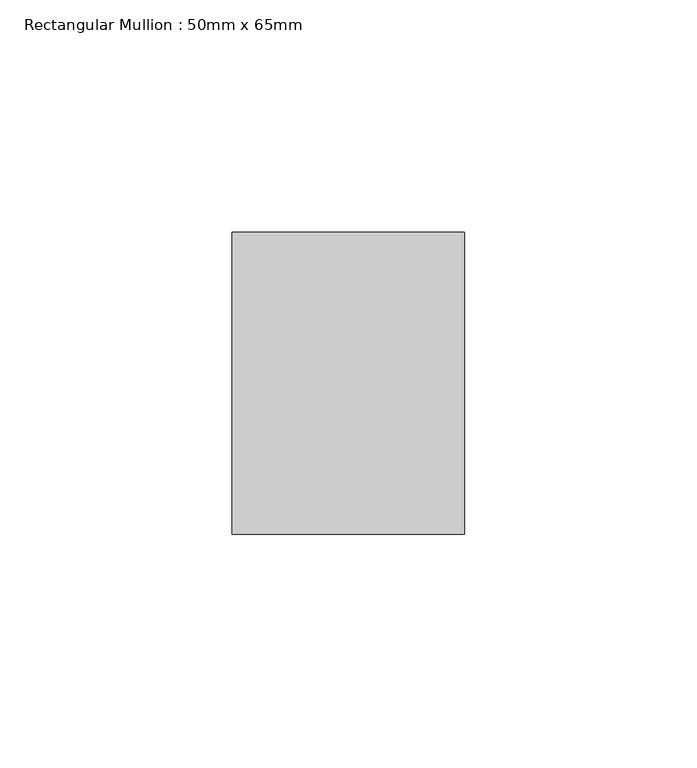
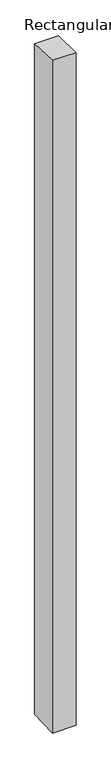
"""IFC4 building model written with IfcOpenShell, lengths in millimetres: member geometry, Rectangular Mullion : 50mm x 65mm."""

from ifc_helpers import new_model, si_unit, origin, place, context, project, spatial, faceted_brep, source, transform, mapped, element, save


def rectangular_mullion_50mm_x_65mm_a1037686(model_context):
    return source(origin(), model_context, "Body", "Brep", [
        faceted_brep([(-25.0, 32.5, -1.1419496), (25.0, 32.5, -1.1419522), (25.0, 32.5, -1498.5318859), (-25.0, 32.5, -1498.5318892), (-25.0, -32.5, 1.1419522), (-25.0, -32.5, -1501.4672408), (25.0, -32.5, 1.1419496), (25.0, -32.5, -1501.4672375)], [[[0, 1, 2, 3]], [[4, 0, 3, 5]], [[6, 4, 5, 7]], [[1, 6, 7, 2]], [[1, 0, 4, 6]], [[2, 7, 5, 3]]]),
    ])


if __name__ == "__main__":
    model = new_model("IFC4")
    model_context = context("Model", 3, world=origin())
    ifc_project = project(units=[si_unit("LENGTHUNIT", "METRE", prefix="MILLI")], contexts=[model_context])
    site = spatial("IfcSite", under=ifc_project)
    building = spatial("IfcBuilding", under=site)
    placement = place(None, origin())
    rectangular_mullion_50mm_x_65mm_shape = rectangular_mullion_50mm_x_65mm_a1037686(model_context)
    element("IfcMember", 1, ObjectType="Rectangular Mullion : 50mm x 65mm", at=placement, inside=building, context=model_context, shape_type="MappedRepresentation", body=[
        mapped(rectangular_mullion_50mm_x_65mm_shape, transform((0.0, 0.0, 0.0), x_axis=(1.0, 0.0, 0.0), y_axis=(0.0, 1.0, 0.0), z_axis=(0.0, 0.0, 1.0))),
    ])
    save(model, "model.ifc")
